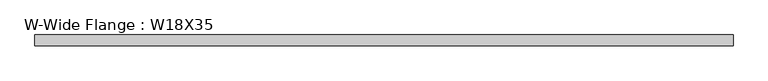
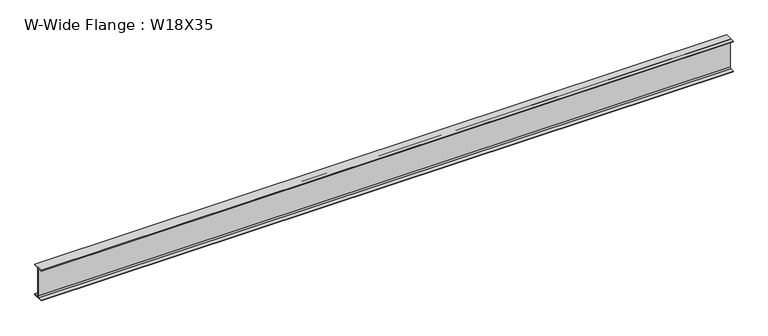
"""IFC4 building model written with IfcOpenShell, lengths in millimetres: beam geometry, W-Wide Flange : W18X35."""

from ifc_helpers import new_model, si_unit, point, frame, frame_2d, origin, place, context, project, spatial, polyline, circle_curve, trimmed, segment, composite_curve, outline, extrude, source, transform, mapped, element, save


def w_wide_flange_w18x35_6b0b388f(model_context):
    return source(origin(), model_context, "Body", "SweptSolid", [
        extrude(outline(composite_curve([segment(polyline([(76.2, -213.995), (76.2, -224.79), (-76.2, -224.79), (-76.2, -213.995), (-21.59, -213.995)]), True, "CONTINUOUS"), segment(trimmed(circle_curve(frame_2d((-21.59, -196.215)), 17.78), [point((-21.59, -213.995))], [point((-3.81, -196.215))], True, "CARTESIAN"), True, "CONTINUOUS"), segment(polyline([(-3.81, -196.215), (-3.81, 196.215)]), True, "CONTINUOUS"), segment(trimmed(circle_curve(frame_2d((-21.59, 196.215)), 17.78), [point((-3.81, 196.215))], [point((-21.59, 213.995))], True, "CARTESIAN"), True, "CONTINUOUS"), segment(polyline([(-21.59, 213.995), (-76.2, 213.995), (-76.2, 224.79), (76.2, 224.79), (76.2, 213.995), (21.59, 213.995)]), True, "CONTINUOUS"), segment(trimmed(circle_curve(frame_2d((21.59, 196.215)), 17.78), [point((21.59, 213.995))], [point((3.81, 196.215))], True, "CARTESIAN"), True, "CONTINUOUS"), segment(polyline([(3.81, 196.215), (3.81, -196.215)]), True, "CONTINUOUS"), segment(trimmed(circle_curve(frame_2d((21.59, -196.215)), 17.78), [point((3.81, -196.215))], [point((21.59, -213.995))], True, "CARTESIAN"), True, "CONTINUOUS"), segment(polyline([(21.59, -213.995), (76.2, -213.995)]), True, "CONTINUOUS")], self_intersect=False)), frame((-4734.56, 0.0, 0.0), z_axis=(1.0, 0.0, 0.0), x_axis=(0.0, 1.0, 0.0)), (0.0, 0.0, 1.0), 9611.36),
    ])


if __name__ == "__main__":
    model = new_model("IFC4")
    model_context = context("Model", 3, world=origin())
    ifc_project = project(units=[si_unit("LENGTHUNIT", "METRE", prefix="MILLI")], contexts=[model_context])
    site = spatial("IfcSite", under=ifc_project)
    building = spatial("IfcBuilding", under=site)
    placement = place(None, origin())
    w_wide_flange_w18x35_shape = w_wide_flange_w18x35_6b0b388f(model_context)
    element("IfcBeam", 1, ObjectType="W-Wide Flange : W18X35", at=placement, inside=building, context=model_context, shape_type="MappedRepresentation", body=[
        mapped(w_wide_flange_w18x35_shape, transform((0.0, 0.0, 0.0), x_axis=(1.0, 0.0, 0.0), y_axis=(0.0, 1.0, 0.0), z_axis=(0.0, 0.0, 1.0))),
    ])
    save(model, "model.ifc")
